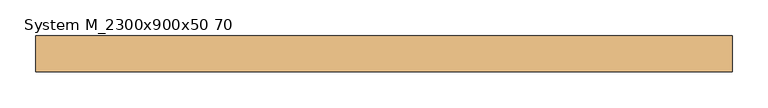
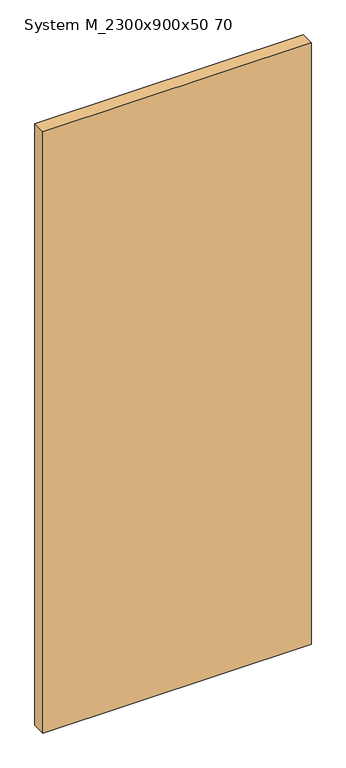
"""IFC4 building model written with IfcOpenShell, lengths in millimetres: door geometry, System M_2300x900x50 70."""

from ifc_helpers import new_model, si_unit, frame, origin, place, context, project, spatial, polyline, outline, extrude, source, transform, mapped, element, save


def system_m_2300x900x50_70_2d88562f(model_context):
    return source(origin(), model_context, "Body", "SweptSolid", [
        extrude(outline(polyline([(900.0, -25.0), (-70.0, -25.0), (-70.0, 25.0), (900.0, 25.0), (900.0, -25.0)])), frame((0.0, 0.0, 11.0), z_axis=(0.0, 0.0, 1.0), x_axis=(1.0, 0.0, 0.0)), (0.0, 0.0, 1.0), 2300.0),
    ])


if __name__ == "__main__":
    model = new_model("IFC4")
    model_context = context("Model", 3, world=origin())
    ifc_project = project(units=[si_unit("LENGTHUNIT", "METRE", prefix="MILLI")], contexts=[model_context])
    site = spatial("IfcSite", under=ifc_project)
    building = spatial("IfcBuilding", under=site)
    placement = place(None, origin())
    system_m_2300x900x50_70_shape = system_m_2300x900x50_70_2d88562f(model_context)
    element("IfcDoor", 1, ObjectType="System M_2300x900x50 70", at=placement, inside=building, context=model_context, shape_type="MappedRepresentation", body=[
        mapped(system_m_2300x900x50_70_shape, transform((0.0, 0.0, 0.0), x_axis=(1.0, 0.0, 0.0), y_axis=(0.0, 1.0, 0.0), z_axis=(0.0, 0.0, 1.0))),
    ])
    save(model, "model.ifc")
